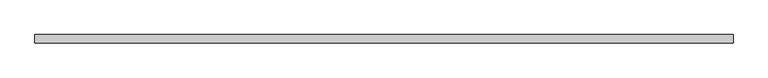
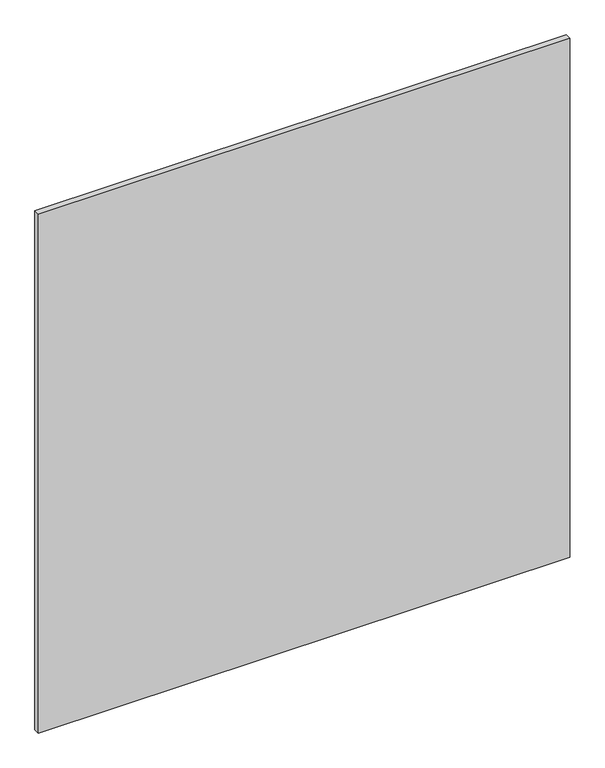
"""IFC4 building model written with IfcOpenShell, lengths in millimetres: plate geometry."""

from ifc_helpers import new_model, si_unit, origin, origin_with_axes, place, context, project, spatial, polyline, outline, extrude, source, transform, mapped, element, save


def plate_11921cad(model_context):
    return source(origin(), model_context, "Body", "SweptSolid", [
        extrude(outline(polyline([(625.0, 7.25), (625.0, -7.25), (-625.0, -7.25), (-625.0, 7.25), (625.0, 7.25)])), origin_with_axes(), (0.0, 0.0, 1.0), 1290.0),
    ])


if __name__ == "__main__":
    model = new_model("IFC4")
    model_context = context("Model", 3, world=origin())
    ifc_project = project(units=[si_unit("LENGTHUNIT", "METRE", prefix="MILLI")], contexts=[model_context])
    site = spatial("IfcSite", under=ifc_project)
    building = spatial("IfcBuilding", under=site)
    placement = place(None, origin())
    plate_shape = plate_11921cad(model_context)
    element("IfcPlate", 1, at=placement, inside=building, context=model_context, shape_type="MappedRepresentation", body=[
        mapped(plate_shape, transform((0.0, 0.0, 0.0), x_axis=(1.0, 0.0, 0.0), y_axis=(0.0, 1.0, 0.0), z_axis=(0.0, 0.0, 1.0))),
    ])
    save(model, "model.ifc")
